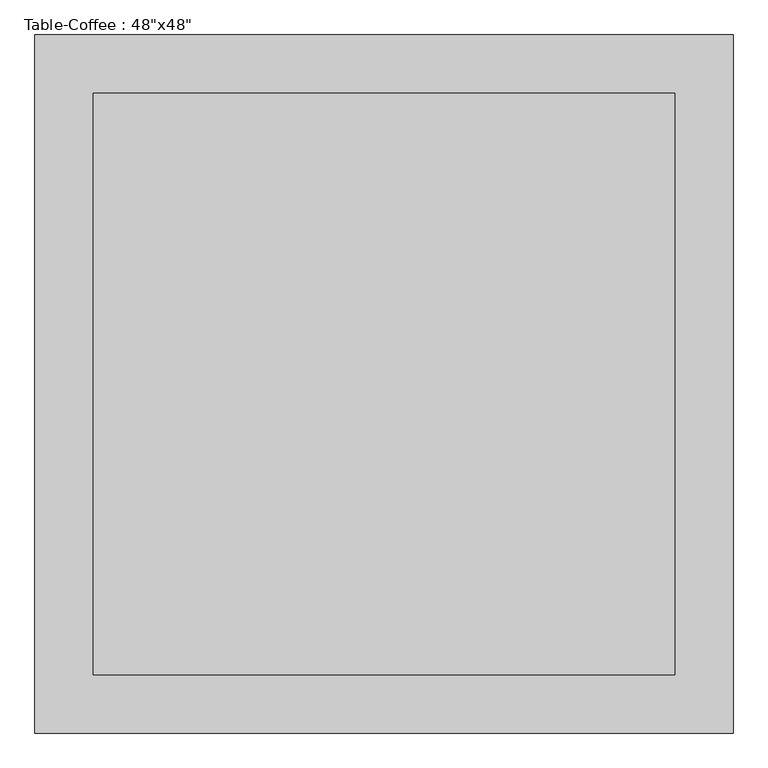
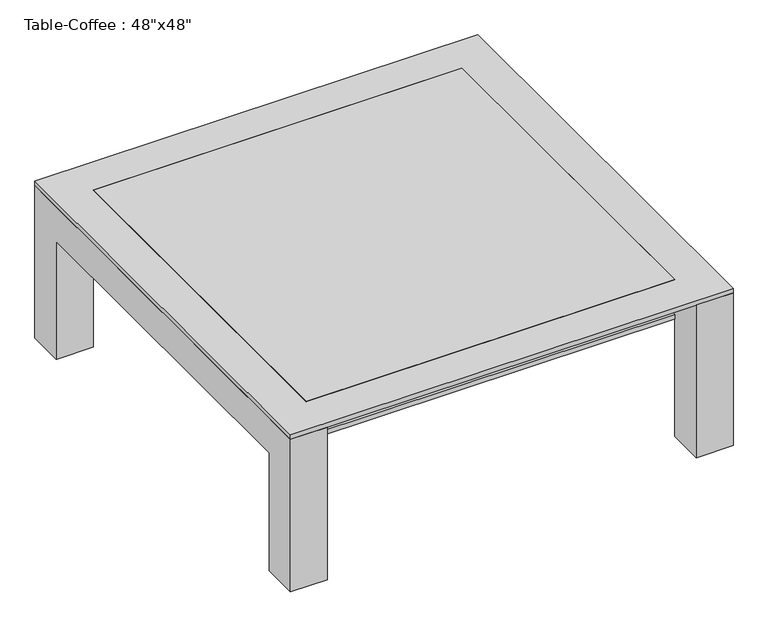
"""IFC4 building model written with IfcOpenShell, lengths in millimetres: furniture geometry."""

from ifc_helpers import new_model, si_unit, frame, origin, place, context, project, spatial, polyline, outline, extrude, source, transform, mapped, element, save


def furniture_04b8e603(model_context):
    return source(origin(), model_context, "Body", "SweptSolid", [
        extrude(outline(polyline([(526.2657667, 603.2110778), (526.2657667, -412.7889222), (-489.7342333, -412.7889222), (-489.7342333, 603.2110778), (526.2657667, 603.2110778)])), frame((0.0, 0.0, 342.9), z_axis=(0.0, 0.0, 1.0), x_axis=(1.0, 0.0, 0.0)), (0.0, 0.0, 1.0), 12.7),
        extrude(outline(polyline([(704.8110778, 0.0), (603.2110778, 0.0), (603.2110778, 342.9), (-412.7889222, 342.9), (-412.7889222, 0.0), (-514.3889222, 0.0), (-514.3889222, 444.5), (704.8110778, 444.5), (704.8110778, 0.0)])), frame((526.2657667, 0.0, 0.0), z_axis=(1.0, 0.0, 0.0), x_axis=(0.0, 1.0, 0.0)), (0.0, 0.0, 1.0), 101.6),
        extrude(outline(polyline([(704.8110778, 444.5), (704.8110778, 0.0), (603.2110778, 0.0), (603.2110778, 342.9), (-412.7889222, 342.9), (-412.7889222, 0.0), (-514.3889222, 0.0), (-514.3889222, 444.5), (704.8110778, 444.5)])), frame((-591.3342333, 0.0, 0.0), z_axis=(1.0, 0.0, 0.0), x_axis=(0.0, 1.0, 0.0)), (0.0, 0.0, 1.0), 101.6),
        extrude(outline(polyline([(526.2657667, 603.2110778), (526.2657667, -412.7889222), (-489.7342333, -412.7889222), (-489.7342333, 603.2110778), (526.2657667, 603.2110778)])), frame((0.0, 0.0, 444.5), z_axis=(0.0, 0.0, 1.0), x_axis=(1.0, 0.0, 0.0)), (0.0, 0.0, 1.0), 12.7),
        extrude(outline(polyline([(627.8657667, 704.8110778), (627.8657667, -514.3889222), (-591.3342333, -514.3889222), (-591.3342333, 704.8110778), (627.8657667, 704.8110778)]), holes=[polyline([(526.2657667, 603.2110778), (-489.7342333, 603.2110778), (-489.7342333, -412.7889222), (526.2657667, -412.7889222), (526.2657667, 603.2110778)])]), frame((0.0, 0.0, 444.5), z_axis=(0.0, 0.0, 1.0), x_axis=(1.0, 0.0, 0.0)), (0.0, 0.0, 1.0), 12.7),
    ])


if __name__ == "__main__":
    model = new_model("IFC4")
    model_context = context("Model", 3, world=origin())
    ifc_project = project(units=[si_unit("LENGTHUNIT", "METRE", prefix="MILLI")], contexts=[model_context])
    site = spatial("IfcSite", under=ifc_project)
    building = spatial("IfcBuilding", under=site)
    placement = place(None, origin())
    furniture_shape = furniture_04b8e603(model_context)
    element("IfcFurniture", 1, ObjectType="Table-Coffee : 48\"x48\"", at=placement, inside=building, context=model_context, shape_type="MappedRepresentation", body=[
        mapped(furniture_shape, transform((0.0, 0.0, 0.0), x_axis=(1.0, 0.0, 0.0), y_axis=(0.0, 1.0, 0.0), z_axis=(0.0, 0.0, 1.0))),
    ])
    save(model, "model.ifc")
